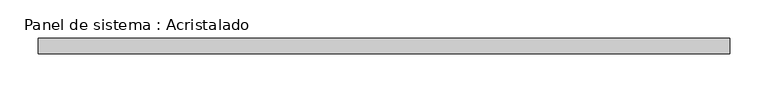
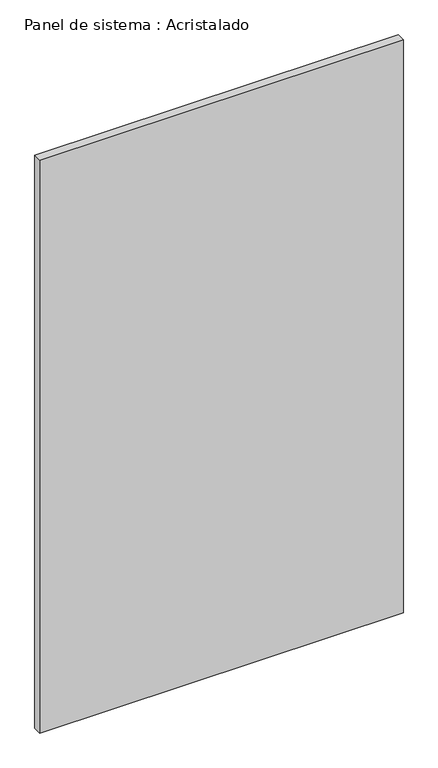
"""IFC4 building model written with IfcOpenShell, lengths in millimetres: plate geometry, Panel de sistema : Acristalado."""

from ifc_helpers import new_model, si_unit, origin, origin_with_axes, place, context, project, spatial, polyline, outline, extrude, source, transform, mapped, element, save


def panel_de_sistema_acristalado_0097f9db(model_context):
    return source(origin(), model_context, "Body", "SweptSolid", [
        extrude(outline(polyline([(448.9334907, -10.0), (-448.9334907, -10.0), (-448.9334907, 10.0), (448.9334907, 10.0), (448.9334907, -10.0)])), origin_with_axes(), (0.0, 0.0, 1.0), 1494.4303161),
    ])


if __name__ == "__main__":
    model = new_model("IFC4")
    model_context = context("Model", 3, world=origin())
    ifc_project = project(units=[si_unit("LENGTHUNIT", "METRE", prefix="MILLI")], contexts=[model_context])
    site = spatial("IfcSite", under=ifc_project)
    building = spatial("IfcBuilding", under=site)
    placement = place(None, origin())
    panel_de_sistema_acristalado_shape = panel_de_sistema_acristalado_0097f9db(model_context)
    element("IfcPlate", 1, ObjectType="Panel de sistema : Acristalado", at=placement, inside=building, context=model_context, shape_type="MappedRepresentation", body=[
        mapped(panel_de_sistema_acristalado_shape, transform((0.0, 0.0, 0.0), x_axis=(1.0, 0.0, 0.0), y_axis=(0.0, 1.0, 0.0), z_axis=(0.0, 0.0, 1.0))),
    ])
    save(model, "model.ifc")
